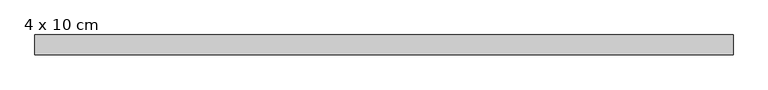
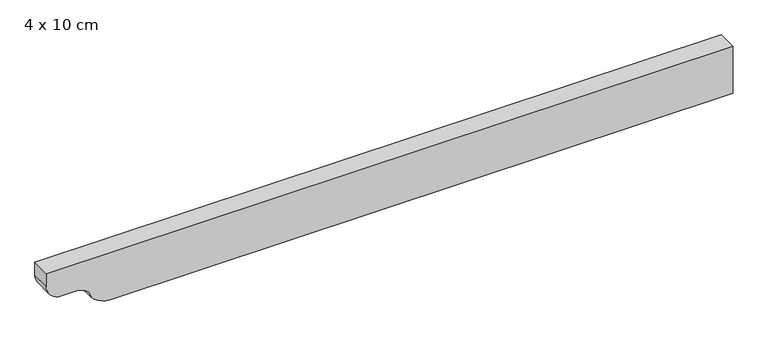
"""IFC4 building model written with IfcOpenShell, lengths in millimetres: beam geometry, 4 x 10 cm."""

from ifc_helpers import new_model, si_unit, point, frame, frame_2d, origin, place, context, project, spatial, polyline, circle_curve, trimmed, segment, composite_curve, outline, extrude, source, transform, mapped, element, save


def beam_4_x_10_cm_c8053b35(model_context):
    return source(origin(), model_context, "Body", "SweptSolid", [
        extrude(outline(composite_curve([segment(polyline([(50.0, 687.9109443), (50.0, -727.6391903), (22.5, -727.6391903)]), True, "CONTINUOUS"), segment(trimmed(circle_curve(frame_2d((22.5, -695.1391903)), 32.5), [point((22.5, -727.6391903))], [point((-10.0, -695.1391903))], False, "CARTESIAN"), True, "CONTINUOUS"), segment(polyline([(-10.0, -695.1391903), (-10.0, -664.1289852)]), True, "CONTINUOUS"), segment(trimmed(circle_curve(frame_2d((-40.0, -664.1289852)), 30.0), [point((-10.0, -664.1289852))], [point((-34.0, -634.7351083))], True, "CARTESIAN"), True, "CONTINUOUS"), segment(trimmed(circle_curve(frame_2d((-3.1535049, -595.3842031)), 50.0), [point((-34.0, -634.7351083))], [point((-53.1535049, -595.3842031))], False, "CARTESIAN"), True, "CONTINUOUS"), segment(polyline([(-53.1535049, -595.3842031), (-53.1535049, 687.9109443), (50.0, 687.9109443)]), True, "CONTINUOUS")], self_intersect=False)), frame((0.0, -20.0, 0.0), z_axis=(0.0, 1.0, 0.0), x_axis=(0.0, 0.0, 1.0)), (0.0, 0.0, 1.0), 40.0),
    ])


if __name__ == "__main__":
    model = new_model("IFC4")
    model_context = context("Model", 3, world=origin())
    ifc_project = project(units=[si_unit("LENGTHUNIT", "METRE", prefix="MILLI")], contexts=[model_context])
    site = spatial("IfcSite", under=ifc_project)
    building = spatial("IfcBuilding", under=site)
    placement = place(None, origin())
    beam_4_x_10_cm_shape = beam_4_x_10_cm_c8053b35(model_context)
    element("IfcBeam", 1, ObjectType="4 x 10 cm", at=placement, inside=building, context=model_context, shape_type="MappedRepresentation", body=[
        mapped(beam_4_x_10_cm_shape, transform((0.0, 0.0, 0.0), x_axis=(1.0, 0.0, 0.0), y_axis=(0.0, 1.0, 0.0), z_axis=(0.0, 0.0, 1.0))),
    ])
    save(model, "model.ifc")
